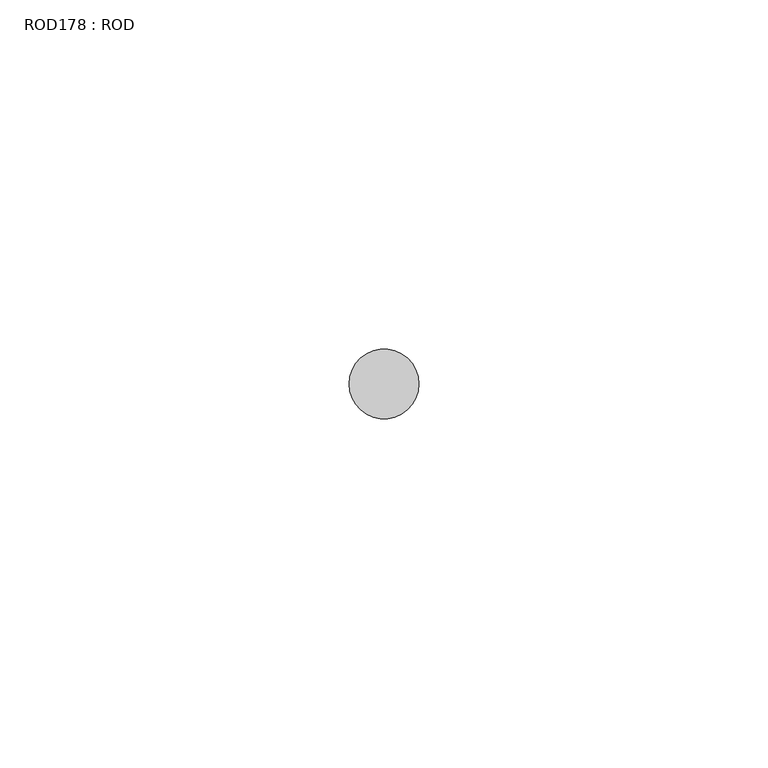
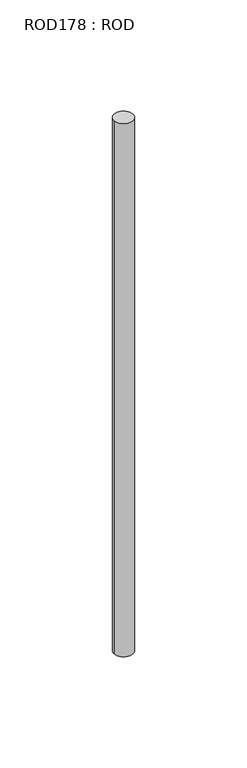
"""IFC4 building model written with IfcOpenShell, lengths in millimetres: proxy geometry, ROD178 : ROD."""

from ifc_helpers import new_model, si_unit, point, frame, frame_2d, origin, place, context, project, spatial, circle_curve, trimmed, segment, composite_curve, outline, extrude, source, transform, mapped, element, save


def rod178_rod_3864a190(model_context):
    return source(origin(), model_context, "Body", "SweptSolid", [
        extrude(outline(composite_curve([segment(trimmed(circle_curve(frame_2d((8099.7673324, -21568.1048728)), 5.0), [point((8094.7673324, -21568.1048728))], [point((8104.7673324, -21568.1048728))], False, "CARTESIAN"), True, "CONTINUOUS"), segment(trimmed(circle_curve(frame_2d((8099.7673324, -21568.1048728)), 5.0), [point((8104.7673324, -21568.1048728))], [point((8094.7673324, -21568.1048728))], False, "CARTESIAN"), True, "CONTINUOUS")], self_intersect=False)), frame((0.0, 0.0, 166.3391155), z_axis=(0.0, 0.0, 1.0), x_axis=(1.0, 0.0, 0.0)), (0.0, 0.0, 1.0), 298.9028972),
    ])


if __name__ == "__main__":
    model = new_model("IFC4")
    model_context = context("Model", 3, world=origin())
    ifc_project = project(units=[si_unit("LENGTHUNIT", "METRE", prefix="MILLI")], contexts=[model_context])
    site = spatial("IfcSite", under=ifc_project)
    building = spatial("IfcBuilding", under=site)
    placement = place(None, origin())
    rod178_rod_shape = rod178_rod_3864a190(model_context)
    element("IfcBuildingElementProxy", 1, Name="ROD178 : ROD", ObjectType="ROD178 : ROD", at=placement, inside=building, context=model_context, shape_type="MappedRepresentation", body=[
        mapped(rod178_rod_shape, transform((0.0, 0.0, 0.0), x_axis=(1.0, 0.0, 0.0), y_axis=(0.0, 1.0, 0.0), z_axis=(0.0, 0.0, 1.0))),
    ])
    save(model, "model.ifc")
